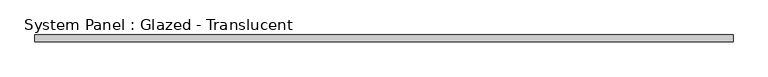
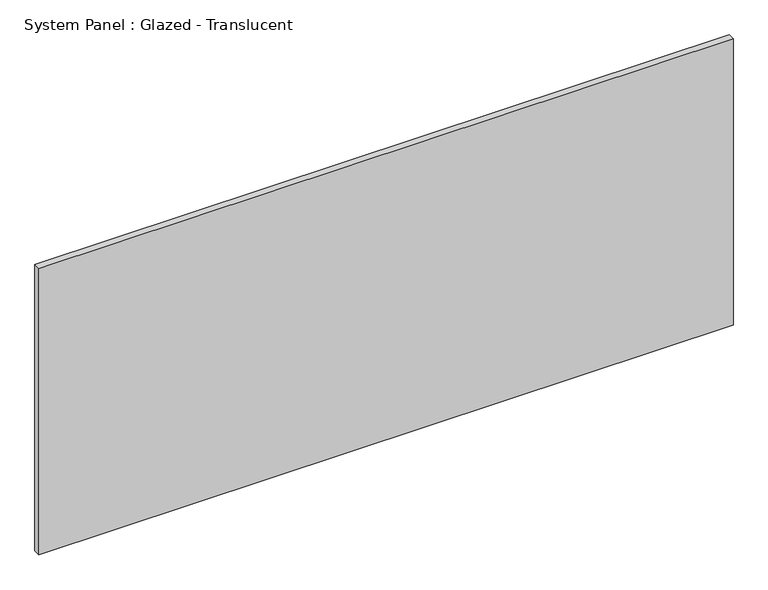
"""IFC4 building model written with IfcOpenShell, lengths in millimetres: plate geometry, System Panel : Glazed - Translucent."""

from ifc_helpers import new_model, si_unit, origin, origin_with_axes, place, context, project, spatial, polyline, outline, extrude, source, transform, mapped, element, save


def system_panel_glazed_translucent_b290463b(model_context):
    return source(origin(), model_context, "Body", "SweptSolid", [
        extrude(outline(polyline([(1323.975, -44.45), (-1323.975, -44.45), (-1323.975, -19.05), (1323.975, -19.05), (1323.975, -44.45)])), origin_with_axes(), (0.0, 0.0, 1.0), 1155.7),
    ])


if __name__ == "__main__":
    model = new_model("IFC4")
    model_context = context("Model", 3, world=origin())
    ifc_project = project(units=[si_unit("LENGTHUNIT", "METRE", prefix="MILLI")], contexts=[model_context])
    site = spatial("IfcSite", under=ifc_project)
    building = spatial("IfcBuilding", under=site)
    placement = place(None, origin())
    system_panel_glazed_translucent_shape = system_panel_glazed_translucent_b290463b(model_context)
    element("IfcPlate", 1, ObjectType="System Panel : Glazed - Translucent", at=placement, inside=building, context=model_context, shape_type="MappedRepresentation", body=[
        mapped(system_panel_glazed_translucent_shape, transform((0.0, 0.0, 0.0), x_axis=(1.0, 0.0, 0.0), y_axis=(0.0, 1.0, 0.0), z_axis=(0.0, 0.0, 1.0))),
    ])
    save(model, "model.ifc")
